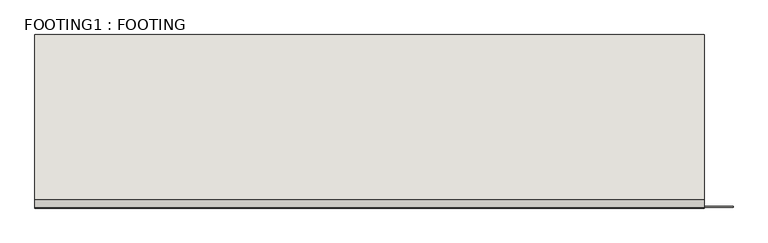
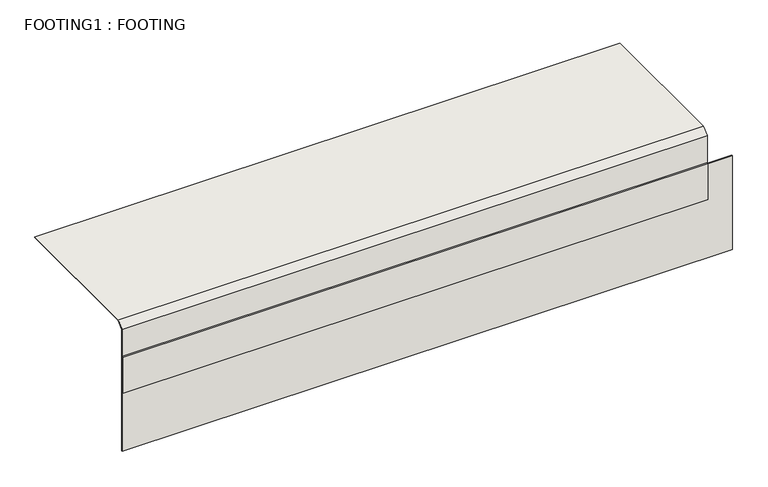
"""IFC4 building model written with IfcOpenShell, lengths in millimetres: wall geometry, FOOTING1 : FOOTING."""

from ifc_helpers import new_model, si_unit, frame, origin, place, context, project, spatial, polyline, outline, extrude, source, transform, mapped, element, save


def footing1_footing_b39bc030(model_context):
    return source(origin(), model_context, "Body", "SweptSolid", [
        extrude(outline(polyline([(1380.4308906, 2022.1097642), (1380.4308906, 2018.9347642), (-1096.0691094, 2018.9347642), (-1096.0691094, 2022.1097642), (1380.4308906, 2022.1097642)])), frame((0.0, 0.0, 354.3920679), z_axis=(0.0, 0.0, 1.0), x_axis=(1.0, 0.0, 0.0)), (0.0, 0.0, 1.0), 403.2895093),
        extrude(outline(polyline([(2045.9222642, 900.4920679), (2022.1097642, 876.6795679), (2022.1097642, 761.7201277), (2018.9347642, 758.5451277), (2018.9347642, 606.1451277), (2015.7597642, 606.1451277), (2015.7597642, 759.8602558), (2018.9347642, 763.0352558), (2018.9347642, 877.9946959), (2044.6071362, 903.6670679), (2631.7097642, 903.6670679), (2631.7097642, 900.4920679), (2045.9222642, 900.4920679)])), frame((-1096.0691094, 0.0, 0.0), z_axis=(1.0, 0.0, 0.0), x_axis=(0.0, 1.0, 0.0)), (0.0, 0.0, 1.0), 2374.9),
    ])


if __name__ == "__main__":
    model = new_model("IFC4")
    model_context = context("Model", 3, world=origin())
    ifc_project = project(units=[si_unit("LENGTHUNIT", "METRE", prefix="MILLI")], contexts=[model_context])
    site = spatial("IfcSite", under=ifc_project)
    building = spatial("IfcBuilding", under=site)
    placement = place(None, origin())
    footing1_footing_shape = footing1_footing_b39bc030(model_context)
    element("IfcWall", 1, ObjectType="FOOTING1 : FOOTING", at=placement, inside=building, context=model_context, shape_type="MappedRepresentation", body=[
        mapped(footing1_footing_shape, transform((0.0, 0.0, 0.0), x_axis=(1.0, 0.0, 0.0), y_axis=(0.0, 1.0, 0.0), z_axis=(0.0, 0.0, 1.0))),
    ])
    save(model, "model.ifc")
